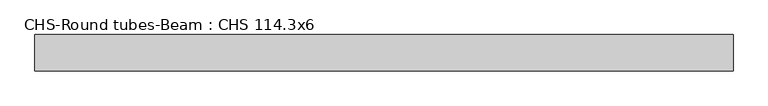
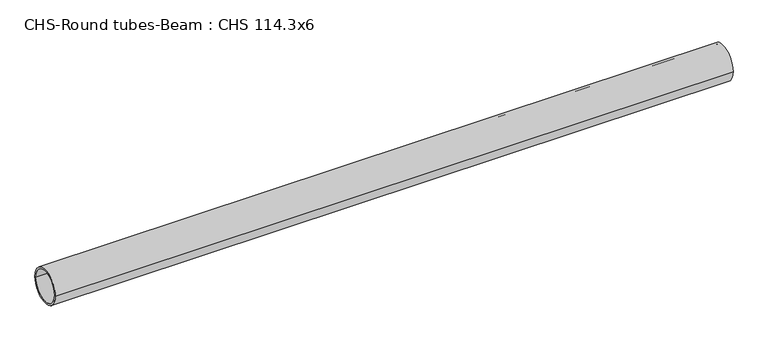
"""IFC4 building model written with IfcOpenShell, lengths in millimetres: beam geometry, CHS-Round tubes-Beam : CHS 114.3x6."""

from ifc_helpers import new_model, si_unit, point, frame, origin, origin_2d, place, context, project, spatial, circle_curve, trimmed, segment, composite_curve, outline, extrude, source, transform, mapped, element, save


def chs_round_tubes_beam_chs_114_3x6_ef3d5f07(model_context):
    return source(origin(), model_context, "Body", "SweptSolid", [
        extrude(outline(composite_curve([segment(trimmed(circle_curve(origin_2d(), 57.15), [point((57.15, 0.0))], [point((-57.15, 0.0))], False, "CARTESIAN"), True, "CONTINUOUS"), segment(trimmed(circle_curve(origin_2d(), 57.15), [point((-57.15, 0.0))], [point((57.15, 0.0))], False, "CARTESIAN"), True, "CONTINUOUS")], self_intersect=False), holes=[composite_curve([segment(trimmed(circle_curve(origin_2d(), 51.15), [point((51.15, 0.0))], [point((-51.15, 0.0))], True, "CARTESIAN"), True, "CONTINUOUS"), segment(trimmed(circle_curve(origin_2d(), 51.15), [point((-51.15, 0.0))], [point((51.15, 0.0))], True, "CARTESIAN"), True, "CONTINUOUS")], self_intersect=False)]), frame((-1067.9849801, 0.0, 0.0), z_axis=(1.0, 0.0, 0.0), x_axis=(0.0, 1.0, 0.0)), (0.0, 0.0, 1.0), 2200.1632856),
    ])


if __name__ == "__main__":
    model = new_model("IFC4")
    model_context = context("Model", 3, world=origin())
    ifc_project = project(units=[si_unit("LENGTHUNIT", "METRE", prefix="MILLI")], contexts=[model_context])
    site = spatial("IfcSite", under=ifc_project)
    building = spatial("IfcBuilding", under=site)
    placement = place(None, origin())
    chs_round_tubes_beam_chs_114_3x6_shape = chs_round_tubes_beam_chs_114_3x6_ef3d5f07(model_context)
    element("IfcBeam", 1, ObjectType="CHS-Round tubes-Beam : CHS 114.3x6", at=placement, inside=building, context=model_context, shape_type="MappedRepresentation", body=[
        mapped(chs_round_tubes_beam_chs_114_3x6_shape, transform((0.0, 0.0, 0.0), x_axis=(1.0, 0.0, 0.0), y_axis=(0.0, 1.0, 0.0), z_axis=(0.0, 0.0, 1.0))),
    ])
    save(model, "model.ifc")
